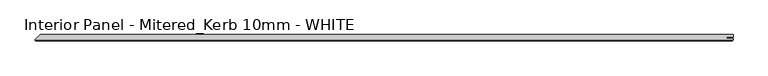
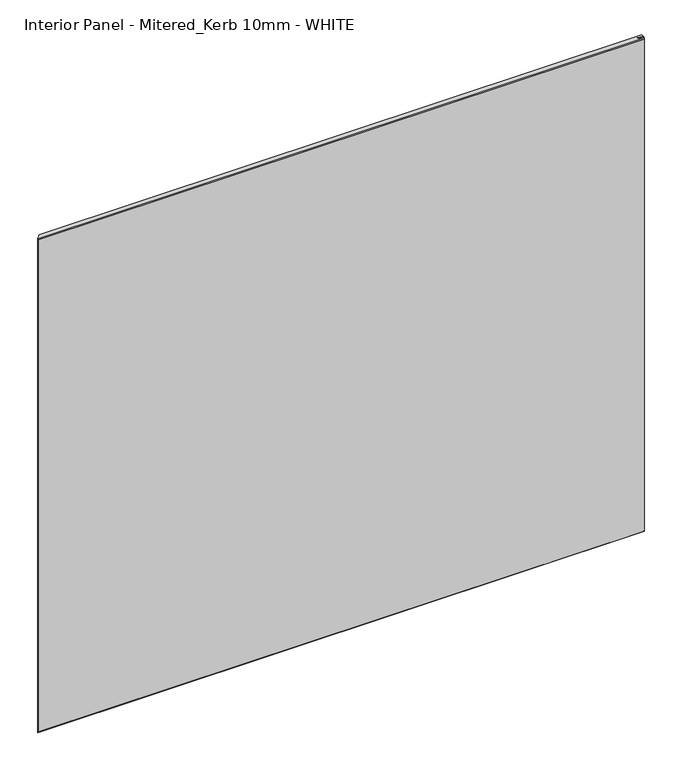
"""IFC4 building model written with IfcOpenShell, lengths in millimetres: proxy geometry, Interior Panel - Mitered_Kerb 10mm - WHITE."""

from ifc_helpers import new_model, si_unit, origin, place, context, project, spatial, faceted_brep, source, transform, mapped, element, save


def interior_panel_mitered_kerb_10mm_white_c69daf69(model_context):
    return source(origin(), model_context, "Body", "Brep", [
        faceted_brep([(990.6, 3.175, 914.4), (-65.0875, 3.175, 914.4), (-73.025, -4.7625, 914.4), (990.6, -4.7625, 914.4), (990.6, -2.6543, 914.4), (980.7773437, -2.6543, 914.4), (980.7773437, -0.5207, 914.4), (990.6, -0.5207, 914.4), (990.6, 3.175, 0.0), (990.6, -0.5207, 0.0), (980.7773437, -0.5207, 0.0), (980.7773437, -2.6543, 0.0), (990.6, -2.6543, 0.0), (990.6, -4.7625, 0.0), (-73.025, -4.7625, 0.0), (-65.0875, 3.175, 0.0), (-71.4375, -6.35, 912.8125), (-71.4375, -6.35, 1.5875), (989.0125, -6.35, 1.5875), (989.0125, -6.35, 912.8125)], [[[0, 1, 2, 3, 4, 5, 6, 7]], [[8, 9, 10, 11, 12, 13, 14, 15]], [[1, 0, 8, 15]], [[16, 17, 18, 19]], [[4, 3, 13, 12]], [[13, 3, 19, 18]], [[3, 2, 16, 19]], [[14, 13, 18, 17]], [[5, 4, 12, 11]], [[6, 5, 11, 10]], [[7, 6, 10, 9]], [[0, 7, 9, 8]], [[2, 1, 15, 14]], [[2, 14, 17, 16]]]),
    ])


if __name__ == "__main__":
    model = new_model("IFC4")
    model_context = context("Model", 3, world=origin())
    ifc_project = project(units=[si_unit("LENGTHUNIT", "METRE", prefix="MILLI")], contexts=[model_context])
    site = spatial("IfcSite", under=ifc_project)
    building = spatial("IfcBuilding", under=site)
    placement = place(None, origin())
    interior_panel_mitered_kerb_10mm_white_shape = interior_panel_mitered_kerb_10mm_white_c69daf69(model_context)
    element("IfcBuildingElementProxy", 1, Name="Interior Panel - Mitered_Kerb 10mm - WHITE", ObjectType="Interior Panel - Mitered_Kerb 10mm - WHITE", at=placement, inside=building, context=model_context, shape_type="MappedRepresentation", body=[
        mapped(interior_panel_mitered_kerb_10mm_white_shape, transform((0.0, 0.0, 0.0), x_axis=(1.0, 0.0, 0.0), y_axis=(0.0, 1.0, 0.0), z_axis=(0.0, 0.0, 1.0))),
    ])
    save(model, "model.ifc")
